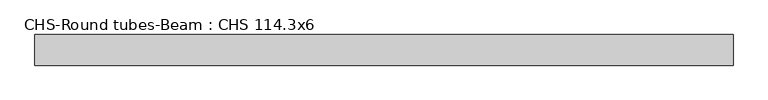
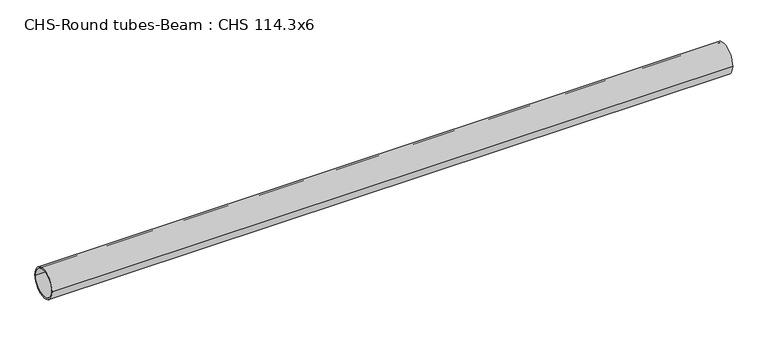
"""IFC4 building model written with IfcOpenShell, lengths in millimetres: beam geometry, CHS-Round tubes-Beam : CHS 114.3x6."""

from ifc_helpers import new_model, si_unit, point, frame, origin, origin_2d, place, context, project, spatial, circle_curve, trimmed, segment, composite_curve, outline, extrude, source, transform, mapped, element, save


def chs_round_tubes_beam_chs_114_3x6_8a559bbb(model_context):
    return source(origin(), model_context, "Body", "SweptSolid", [
        extrude(outline(composite_curve([segment(trimmed(circle_curve(origin_2d(), 57.15), [point((57.15, 0.0))], [point((-57.15, 0.0))], False, "CARTESIAN"), True, "CONTINUOUS"), segment(trimmed(circle_curve(origin_2d(), 57.15), [point((-57.15, 0.0))], [point((57.15, 0.0))], False, "CARTESIAN"), True, "CONTINUOUS")], self_intersect=False), holes=[composite_curve([segment(trimmed(circle_curve(origin_2d(), 51.15), [point((51.15, 0.0))], [point((-51.15, 0.0))], True, "CARTESIAN"), True, "CONTINUOUS"), segment(trimmed(circle_curve(origin_2d(), 51.15), [point((-51.15, 0.0))], [point((51.15, 0.0))], True, "CARTESIAN"), True, "CONTINUOUS")], self_intersect=False)]), frame((-1291.6727228, 0.0, 0.0), z_axis=(1.0, 0.0, 0.0), x_axis=(0.0, 1.0, 0.0)), (0.0, 0.0, 1.0), 2608.6574396),
    ])


if __name__ == "__main__":
    model = new_model("IFC4")
    model_context = context("Model", 3, world=origin())
    ifc_project = project(units=[si_unit("LENGTHUNIT", "METRE", prefix="MILLI")], contexts=[model_context])
    site = spatial("IfcSite", under=ifc_project)
    building = spatial("IfcBuilding", under=site)
    placement = place(None, origin())
    chs_round_tubes_beam_chs_114_3x6_shape = chs_round_tubes_beam_chs_114_3x6_8a559bbb(model_context)
    element("IfcBeam", 1, ObjectType="CHS-Round tubes-Beam : CHS 114.3x6", at=placement, inside=building, context=model_context, shape_type="MappedRepresentation", body=[
        mapped(chs_round_tubes_beam_chs_114_3x6_shape, transform((0.0, 0.0, 0.0), x_axis=(1.0, 0.0, 0.0), y_axis=(0.0, 1.0, 0.0), z_axis=(0.0, 0.0, 1.0))),
    ])
    save(model, "model.ifc")
